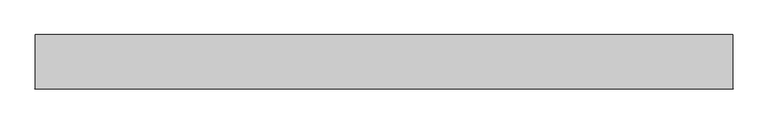
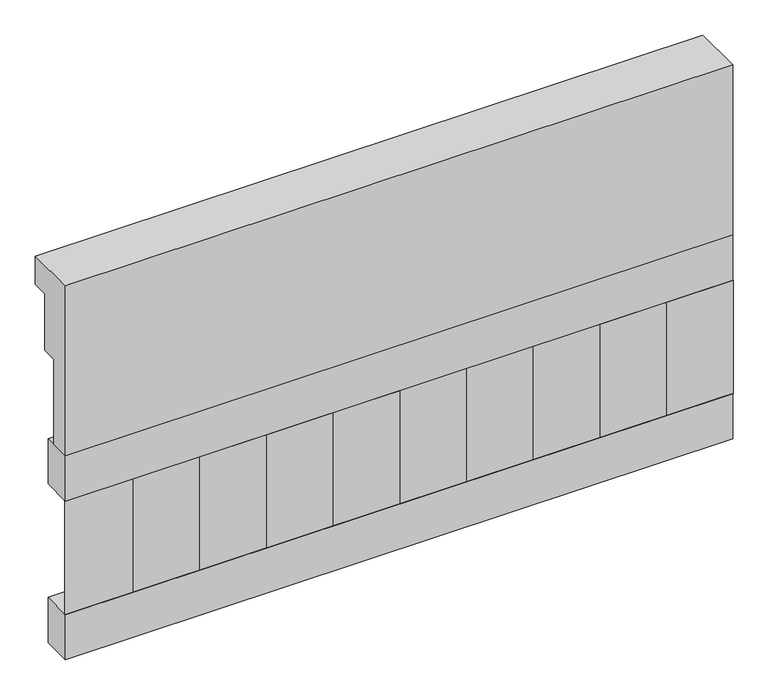
"""IFC4 building model written with IfcOpenShell, lengths in millimetres: railing geometry."""

from ifc_helpers import new_model, si_unit, frame, origin, place, context, project, spatial, polyline, outline, extrude, source, transform, mapped, element, save


def railing_66806177(model_context):
    return source(origin(), model_context, "Body", "SweptSolid", [
        extrude(outline(polyline([(903.1079487, 25100.0), (1033.1079487, 25100.0), (1033.1079487, 25025.0), (993.1079487, 25025.0), (993.1079487, 24875.0), (953.1079487, 24875.0), (953.1079487, 24650.0), (903.1079487, 24650.0), (903.1079487, 25100.0)])), frame((26190.0112841, 0.0, 0.0), z_axis=(1.0, 0.0, 0.0), x_axis=(0.0, 1.0, 0.0)), (0.0, 0.0, 1.0), 1670.0),
        extrude(outline(polyline([(27860.0112841, 978.1079487), (27860.0112841, 903.1079487), (26190.0112841, 903.1079487), (26190.0112841, 978.1079487), (27860.0112841, 978.1079487)])), frame((0.0, 0.0, 24530.0), z_axis=(0.0, 0.0, 1.0), x_axis=(1.0, 0.0, 0.0)), (0.0, 0.0, 1.0), 120.0),
        extrude(outline(polyline([(27860.0112841, 978.1079487), (27860.0112841, 903.1079487), (26190.0112841, 903.1079487), (26190.0112841, 978.1079487), (27860.0112841, 978.1079487)])), frame((0.0, 0.0, 24110.0), z_axis=(0.0, 0.0, 1.0), x_axis=(1.0, 0.0, 0.0)), (0.0, 0.0, 1.0), 120.0),
        extrude(outline(polyline([(26273.5112841, 987.9607624), (26358.3640978, 903.1079487), (26188.6584704, 903.1079487), (26273.5112841, 987.9607624)])), frame((0.0, 0.0, 24230.0), z_axis=(0.0, 0.0, 1.0), x_axis=(1.0, 0.0, 0.0)), (0.0, 0.0, 1.0), 300.0),
        extrude(outline(polyline([(26440.5112841, 987.9607624), (26525.3640978, 903.1079487), (26355.6584704, 903.1079487), (26440.5112841, 987.9607624)])), frame((0.0, 0.0, 24230.0), z_axis=(0.0, 0.0, 1.0), x_axis=(1.0, 0.0, 0.0)), (0.0, 0.0, 1.0), 300.0),
        extrude(outline(polyline([(26607.5112841, 987.9607624), (26692.3640978, 903.1079487), (26522.6584704, 903.1079487), (26607.5112841, 987.9607624)])), frame((0.0, 0.0, 24230.0), z_axis=(0.0, 0.0, 1.0), x_axis=(1.0, 0.0, 0.0)), (0.0, 0.0, 1.0), 300.0),
        extrude(outline(polyline([(26774.5112841, 987.9607624), (26859.3640978, 903.1079487), (26689.6584704, 903.1079487), (26774.5112841, 987.9607624)])), frame((0.0, 0.0, 24230.0), z_axis=(0.0, 0.0, 1.0), x_axis=(1.0, 0.0, 0.0)), (0.0, 0.0, 1.0), 300.0),
        extrude(outline(polyline([(26941.5112841, 987.9607624), (27026.3640978, 903.1079487), (26856.6584704, 903.1079487), (26941.5112841, 987.9607624)])), frame((0.0, 0.0, 24230.0), z_axis=(0.0, 0.0, 1.0), x_axis=(1.0, 0.0, 0.0)), (0.0, 0.0, 1.0), 300.0),
        extrude(outline(polyline([(27108.5112841, 987.9607624), (27193.3640978, 903.1079487), (27023.6584704, 903.1079487), (27108.5112841, 987.9607624)])), frame((0.0, 0.0, 24230.0), z_axis=(0.0, 0.0, 1.0), x_axis=(1.0, 0.0, 0.0)), (0.0, 0.0, 1.0), 300.0),
        extrude(outline(polyline([(27275.5112841, 987.9607624), (27360.3640978, 903.1079487), (27190.6584704, 903.1079487), (27275.5112841, 987.9607624)])), frame((0.0, 0.0, 24230.0), z_axis=(0.0, 0.0, 1.0), x_axis=(1.0, 0.0, 0.0)), (0.0, 0.0, 1.0), 300.0),
        extrude(outline(polyline([(27442.5112841, 987.9607624), (27527.3640978, 903.1079487), (27357.6584704, 903.1079487), (27442.5112841, 987.9607624)])), frame((0.0, 0.0, 24230.0), z_axis=(0.0, 0.0, 1.0), x_axis=(1.0, 0.0, 0.0)), (0.0, 0.0, 1.0), 300.0),
        extrude(outline(polyline([(27609.5112841, 987.9607624), (27694.3640978, 903.1079487), (27524.6584704, 903.1079487), (27609.5112841, 987.9607624)])), frame((0.0, 0.0, 24230.0), z_axis=(0.0, 0.0, 1.0), x_axis=(1.0, 0.0, 0.0)), (0.0, 0.0, 1.0), 300.0),
        extrude(outline(polyline([(27776.5112841, 987.9607624), (27861.3640978, 903.1079487), (27691.6584704, 903.1079487), (27776.5112841, 987.9607624)])), frame((0.0, 0.0, 24230.0), z_axis=(0.0, 0.0, 1.0), x_axis=(1.0, 0.0, 0.0)), (0.0, 0.0, 1.0), 300.0),
    ])


if __name__ == "__main__":
    model = new_model("IFC4")
    model_context = context("Model", 3, world=origin())
    ifc_project = project(units=[si_unit("LENGTHUNIT", "METRE", prefix="MILLI")], contexts=[model_context])
    site = spatial("IfcSite", under=ifc_project)
    building = spatial("IfcBuilding", under=site)
    placement = place(None, origin())
    railing_shape = railing_66806177(model_context)
    element("IfcRailing", 1, at=placement, inside=building, context=model_context, shape_type="MappedRepresentation", body=[
        mapped(railing_shape, transform((0.0, 0.0, 0.0), x_axis=(1.0, 0.0, 0.0), y_axis=(0.0, 1.0, 0.0), z_axis=(0.0, 0.0, 1.0))),
    ])
    save(model, "model.ifc")
